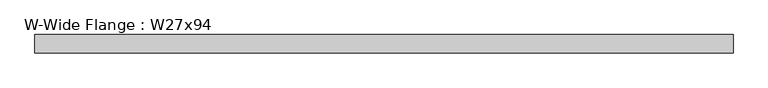
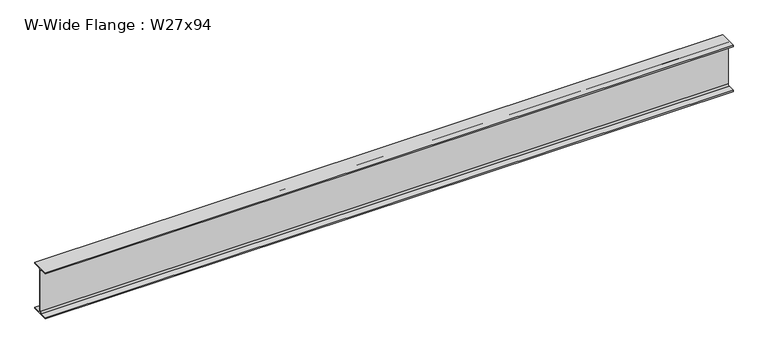
"""IFC4 building model written with IfcOpenShell, lengths in millimetres: beam geometry, W-Wide Flange : W27x94."""

import ifcopenshell
import ifcopenshell.guid

model = None  # the IFC model being written
_history = None  # IfcOwnerHistory: only IFC2X3 demands one
_inside = {}  # id of a spatial element -> (the spatial element, [elements in it])
_under = {}  # id of a project, library or spatial element -> (it, [spatial elements below it])
_declared = {}  # id of a project -> (the project, [libraries it declares])
_typed = {}  # id of a type object -> (the type object, [elements of that type])
_made_of = {}  # id of a material, layer set ... -> (it, [elements and type objects made of it])


def new_model(schema):
    """Start an empty IFC model of exactly this schema.

    Asked for "IFC4X3", IfcOpenShell would pick the latest addendum, in which some entities
    have other attributes; the version numbers below select the first issue.
    IFC2X3 requires an IfcOwnerHistory on every rooted entity: one is made here for all.
    """
    global model, _history
    if schema == "IFC4X3":
        model = ifcopenshell.file(schema_version=(4, 3, 0, 0))
    else:
        model = ifcopenshell.file(schema=schema)
    _inside.clear()
    _under.clear()
    _declared.clear()
    _typed.clear()
    _made_of.clear()
    _history = None
    if model.schema == "IFC2X3":
        org = make("IfcOrganization", Name="unknown")
        user = make(
            "IfcPersonAndOrganization",
            ThePerson=make("IfcPerson", FamilyName="unknown"),
            TheOrganization=org,
        )
        app = make(
            "IfcApplication",
            ApplicationDeveloper=org,
            Version="unknown",
            ApplicationFullName="unknown",
            ApplicationIdentifier="unknown",
        )
        _history = make(
            "IfcOwnerHistory",
            OwningUser=user,
            OwningApplication=app,
            ChangeAction="ADDED",
            CreationDate=0,
        )
    return model


def make(cls, **values):
    """One entity of the class cls with the attributes given. An attribute that is None is left unset."""
    return model.create_entity(
        cls, **{name: value for name, value in values.items() if value is not None}
    )


def rooted(cls, **values):
    """An entity with a GlobalId (a new one), such as an element, a storey or a relation."""
    return make(cls, GlobalId=ifcopenshell.guid.new(), OwnerHistory=_history, **values)


def si_unit(unit_type, name, prefix=None):
    """IfcSIUnit, for example si_unit("LENGTHUNIT", "METRE", prefix="MILLI")."""
    return make("IfcSIUnit", UnitType=unit_type, Prefix=prefix, Name=name)


def assignment(units):
    """IfcUnitAssignment: the units of a project."""
    return None if units is None else make("IfcUnitAssignment", Units=units)


def point(xyz):
    """IfcCartesianPoint."""
    return None if xyz is None else make("IfcCartesianPoint", Coordinates=xyz)


def direction(xyz):
    """IfcDirection."""
    return None if xyz is None else make("IfcDirection", DirectionRatios=xyz)


def frame(location, z_axis=None, x_axis=None):
    """IfcAxis2Placement3D, a coordinate frame: its origin and axes. An axis left out is left unset."""
    return make(
        "IfcAxis2Placement3D",
        Location=point(location),
        Axis=direction(z_axis),
        RefDirection=direction(x_axis),
    )


def frame_2d(location, x_axis=None):
    """IfcAxis2Placement2D, a coordinate frame in the plane: its origin and x axis."""
    return make(
        "IfcAxis2Placement2D", Location=point(location), RefDirection=direction(x_axis)
    )


def origin():
    """The frame at (0, 0, 0) with its axes left unset."""
    return frame((0.0, 0.0, 0.0))


def place(relative_to, where):
    """IfcLocalPlacement: puts the frame where relative to a parent placement (None: the world)."""
    return make(
        "IfcLocalPlacement", PlacementRelTo=relative_to, RelativePlacement=where
    )


def context(
    kind, dimensions, precision=None, world=None, true_north=None, identifier=None
):
    """IfcGeometricRepresentationContext, for example the 3D "Model" context."""
    return make(
        "IfcGeometricRepresentationContext",
        ContextIdentifier=identifier,
        ContextType=kind,
        CoordinateSpaceDimension=dimensions,
        Precision=precision,
        WorldCoordinateSystem=world,
        TrueNorth=true_north,
    )


def project(units=None, contexts=None):
    """IfcProject with its units and contexts."""
    return rooted(
        "IfcProject",
        Name="project",
        RepresentationContexts=contexts,
        UnitsInContext=assignment(units),
    )


def spatial(cls, under=None, at=None, **own):
    """A site, building, storey or space (cls), placed at a placement, below another one or the project."""
    s = rooted(cls, ObjectPlacement=at, **own)
    if under is not None:
        _under.setdefault(under.id(), (under, []))[1].append(s)
    return s


def polyline(points):
    """IfcPolyline through the points."""
    return make("IfcPolyline", Points=[point(p) for p in points])


def circle_curve(where, radius):
    """IfcCircle in the frame where."""
    return make("IfcCircle", Position=where, Radius=radius)


def trimmed(basis, trim1, trim2, sense, master):
    """IfcTrimmedCurve: the piece of a basis curve between two trims."""
    return make(
        "IfcTrimmedCurve",
        BasisCurve=basis,
        Trim1=trim1,
        Trim2=trim2,
        SenseAgreement=sense,
        MasterRepresentation=master,
    )


def segment(curve, same_sense, transition):
    """IfcCompositeCurveSegment."""
    return make(
        "IfcCompositeCurveSegment",
        Transition=transition,
        SameSense=same_sense,
        ParentCurve=curve,
    )


def composite_curve(segments, self_intersect=None):
    """IfcCompositeCurve: segments joined end to end."""
    return make("IfcCompositeCurve", Segments=segments, SelfIntersect=self_intersect)


def outline(outer, holes=None, kind="AREA"):
    """IfcArbitraryClosedProfileDef: a profile drawn as a closed curve; with holes, ...WithVoids."""
    if holes is None:
        return make("IfcArbitraryClosedProfileDef", ProfileType=kind, OuterCurve=outer)
    return make(
        "IfcArbitraryProfileDefWithVoids",
        ProfileType=kind,
        OuterCurve=outer,
        InnerCurves=holes,
    )


def extrude(swept, where, along, depth):
    """IfcExtrudedAreaSolid: the profile swept, set in the frame where, extruded along a direction by depth."""
    return make(
        "IfcExtrudedAreaSolid",
        SweptArea=swept,
        Position=where,
        ExtrudedDirection=direction(along),
        Depth=depth,
    )


def shape(context_of_items, identifier, shape_type, items):
    """IfcShapeRepresentation: the items that make up one representation, for example the "Body"."""
    return make(
        "IfcShapeRepresentation",
        ContextOfItems=context_of_items,
        RepresentationIdentifier=identifier,
        RepresentationType=shape_type,
        Items=items,
    )


def source(mapping_origin, context_of_items, identifier, shape_type, items):
    """IfcRepresentationMap: a shape defined once, which mapped items show again and again."""
    return make(
        "IfcRepresentationMap",
        MappingOrigin=mapping_origin,
        MappedRepresentation=shape(context_of_items, identifier, shape_type, items),
    )


def transform(
    local_origin,
    x_axis=None,
    y_axis=None,
    z_axis=None,
    scale=None,
    scale2=None,
    scale3=None,
    uniform=True,
):
    """IfcCartesianTransformationOperator3D, or its non-uniform kind. x_axis, y_axis, z_axis: its Axis1, 2, 3."""
    if uniform:
        return make(
            "IfcCartesianTransformationOperator3D",
            Axis1=direction(x_axis),
            Axis2=direction(y_axis),
            LocalOrigin=point(local_origin),
            Scale=scale,
            Axis3=direction(z_axis),
        )
    return make(
        "IfcCartesianTransformationOperator3DnonUniform",
        Axis1=direction(x_axis),
        Axis2=direction(y_axis),
        LocalOrigin=point(local_origin),
        Scale=scale,
        Axis3=direction(z_axis),
        Scale2=scale2,
        Scale3=scale3,
    )


def mapped(mapping_source, mapping_target):
    """IfcMappedItem: shows the shape of a source again, moved by a transform."""
    return make(
        "IfcMappedItem", MappingSource=mapping_source, MappingTarget=mapping_target
    )


def made_of(thing, what):
    """Note that an element or type object is made of a material, layer set ...; save() writes the relation."""
    if what is not None:
        _made_of.setdefault(what.id(), (what, []))[1].append(thing)
    return thing


def element(
    cls,
    number,
    at=None,
    inside=None,
    cuts=None,
    type_object=None,
    material=None,
    context=None,
    identifier="Body",
    shape_type=None,
    held_by="IfcProductDefinitionShape",
    body=None,
    shapes=None,
    **own,
):
    """One element of the class cls, such as IfcWall. Its Tag is "e" and its number.

    at: its placement. inside: the storey or other place that contains it. cuts: it is an
    opening in that element (IfcRelVoidsElement). A single representation is given by context,
    identifier, shape_type and body (its items); several are given by shapes. held_by: the class
    of the entity that holds the representations. save() writes the other relations.
    """
    e = rooted(cls, Tag="e%d" % number, ObjectPlacement=at, **own)
    if body is not None:
        shapes = [shape(context, identifier, shape_type, body)]
    if shapes is not None:
        e.Representation = make(held_by, Representations=shapes)
    if inside is not None:
        _inside.setdefault(inside.id(), (inside, []))[1].append(e)
    if cuts is not None:
        rooted(
            "IfcRelVoidsElement", RelatingBuildingElement=cuts, RelatedOpeningElement=e
        )
    if type_object is not None:
        _typed.setdefault(type_object.id(), (type_object, []))[1].append(e)
    return made_of(e, material)


def aggregate(whole, parts):
    """IfcRelAggregates: a whole, such as a stair, and the parts it consists of."""
    return rooted("IfcRelAggregates", RelatingObject=whole, RelatedObjects=parts)


def save(model, path):
    """Write the relations noted so far, then the file.

    IfcRelAggregates (storeys below a building ...), IfcRelContainedInSpatialStructure (elements
    in a storey), IfcRelDefinesByType, IfcRelAssociatesMaterial and IfcRelDeclares: one each for
    every whole, place, type object, material and project.
    """
    for whole, parts in _under.values():
        aggregate(whole, parts)
    for where, things in _inside.values():
        rooted(
            "IfcRelContainedInSpatialStructure",
            RelatedElements=things,
            RelatingStructure=where,
        )
    for kind, things in _typed.values():
        rooted("IfcRelDefinesByType", RelatedObjects=things, RelatingType=kind)
    for what, things in _made_of.values():
        rooted("IfcRelAssociatesMaterial", RelatedObjects=things, RelatingMaterial=what)
    for by, libraries in _declared.values():
        rooted("IfcRelDeclares", RelatingContext=by, RelatedDefinitions=libraries)
    model.write(path)


def w_wide_flange_w27x94_d68c7e10(model_context):
    return source(origin(), model_context, "Body", "SweptSolid", [
        extrude(outline(composite_curve([segment(polyline([(127.0, -322.707), (127.0, -341.63), (-127.0, -341.63), (-127.0, -322.707), (-28.575, -322.707)]), True, "CONTINUOUS"), segment(trimmed(circle_curve(frame_2d((-28.575, -300.355)), 22.352), [point((-28.575, -322.707))], [point((-6.223, -300.355))], True, "CARTESIAN"), True, "CONTINUOUS"), segment(polyline([(-6.223, -300.355), (-6.223, 300.355)]), True, "CONTINUOUS"), segment(trimmed(circle_curve(frame_2d((-28.575, 300.355)), 22.352), [point((-6.223, 300.355))], [point((-28.575, 322.707))], True, "CARTESIAN"), True, "CONTINUOUS"), segment(polyline([(-28.575, 322.707), (-127.0, 322.707), (-127.0, 341.63), (127.0, 341.63), (127.0, 322.707), (28.575, 322.707)]), True, "CONTINUOUS"), segment(trimmed(circle_curve(frame_2d((28.575, 300.355)), 22.352), [point((28.575, 322.707))], [point((6.223, 300.355))], True, "CARTESIAN"), True, "CONTINUOUS"), segment(polyline([(6.223, 300.355), (6.223, -300.355)]), True, "CONTINUOUS"), segment(trimmed(circle_curve(frame_2d((28.575, -300.355)), 22.352), [point((6.223, -300.355))], [point((28.575, -322.707))], True, "CARTESIAN"), True, "CONTINUOUS"), segment(polyline([(28.575, -322.707), (127.0, -322.707)]), True, "CONTINUOUS")], self_intersect=False)), frame((-4809.7925008, 0.0, 0.0), z_axis=(1.0, 0.0, 0.0), x_axis=(0.0, 1.0, 0.0)), (0.0, 0.0, 1.0), 9592.9150017),
    ])


if __name__ == "__main__":
    model = new_model("IFC4")
    model_context = context("Model", 3, world=origin())
    ifc_project = project(units=[si_unit("LENGTHUNIT", "METRE", prefix="MILLI")], contexts=[model_context])
    site = spatial("IfcSite", under=ifc_project)
    building = spatial("IfcBuilding", under=site)
    placement = place(None, origin())
    w_wide_flange_w27x94_shape = w_wide_flange_w27x94_d68c7e10(model_context)
    element("IfcBeam", 1, ObjectType="W-Wide Flange : W27x94", at=placement, inside=building, context=model_context, shape_type="MappedRepresentation", body=[
        mapped(w_wide_flange_w27x94_shape, transform((0.0, 0.0, 0.0), x_axis=(1.0, 0.0, 0.0), y_axis=(0.0, 1.0, 0.0), z_axis=(0.0, 0.0, 1.0))),
    ])
    save(model, "model.ifc")
